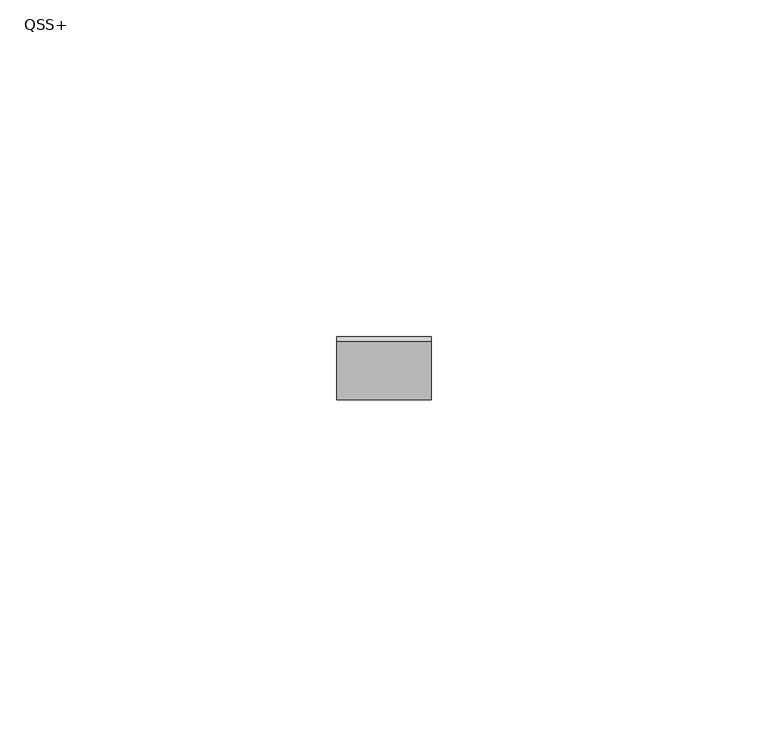
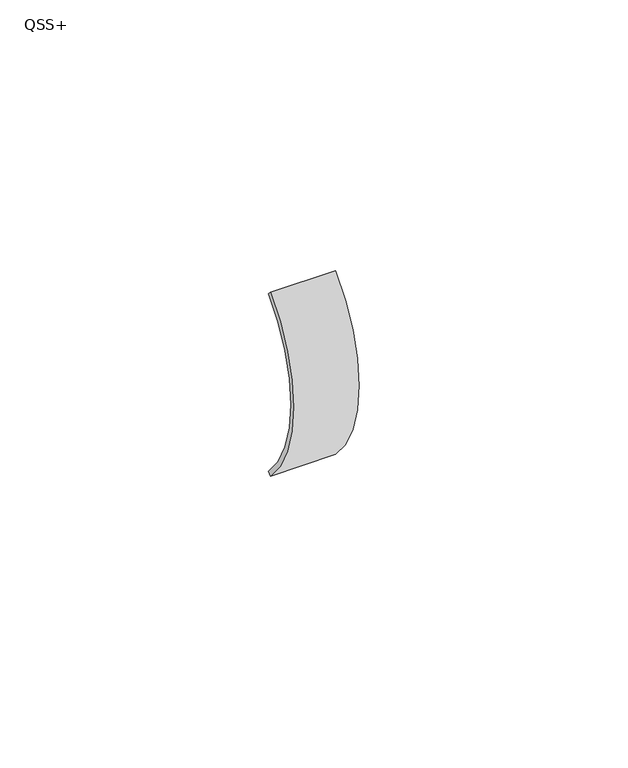
"""IFC4 building model written with IfcOpenShell, lengths in millimetres: proxy geometry, QSS+."""

from ifc_helpers import new_model, si_unit, point, frame, origin, origin_2d, place, context, project, spatial, polyline, circle_curve, trimmed, segment, composite_curve, outline, extrude, source, transform, mapped, element, save


def qss_fb578f95(model_context):
    return source(origin(), model_context, "Body", "SweptSolid", [
        extrude(outline(composite_curve([segment(trimmed(circle_curve(origin_2d(), 29.5), [point((-20.85965, -20.85965))], [point((-20.85965, 20.85965))], False, "CARTESIAN"), True, "CONTINUOUS"), segment(polyline([(-20.85965, 20.85965), (-20.1525433, 20.1525433)]), True, "CONTINUOUS"), segment(trimmed(circle_curve(origin_2d(), 28.5), [point((-20.1525433, 20.1525433))], [point((-20.1525433, -20.1525433))], True, "CARTESIAN"), True, "CONTINUOUS"), segment(polyline([(-20.1525433, -20.1525433), (-20.85965, -20.85965)]), True, "CONTINUOUS")], self_intersect=False)), frame((-7.0, 0.0, 0.0), z_axis=(1.0, 0.0, 0.0), x_axis=(0.0, 1.0, 0.0)), (0.0, 0.0, 1.0), 14.0),
    ])


if __name__ == "__main__":
    model = new_model("IFC4")
    model_context = context("Model", 3, world=origin())
    ifc_project = project(units=[si_unit("LENGTHUNIT", "METRE", prefix="MILLI")], contexts=[model_context])
    site = spatial("IfcSite", under=ifc_project)
    building = spatial("IfcBuilding", under=site)
    placement = place(None, origin())
    qss_shape = qss_fb578f95(model_context)
    element("IfcBuildingElementProxy", 1, Name="QSS+", ObjectType="QSS+", at=placement, inside=building, context=model_context, shape_type="MappedRepresentation", body=[
        mapped(qss_shape, transform((0.0, 0.0, 0.0), x_axis=(1.0, 0.0, 0.0), y_axis=(0.0, 1.0, 0.0), z_axis=(0.0, 0.0, 1.0))),
    ])
    save(model, "model.ifc")
